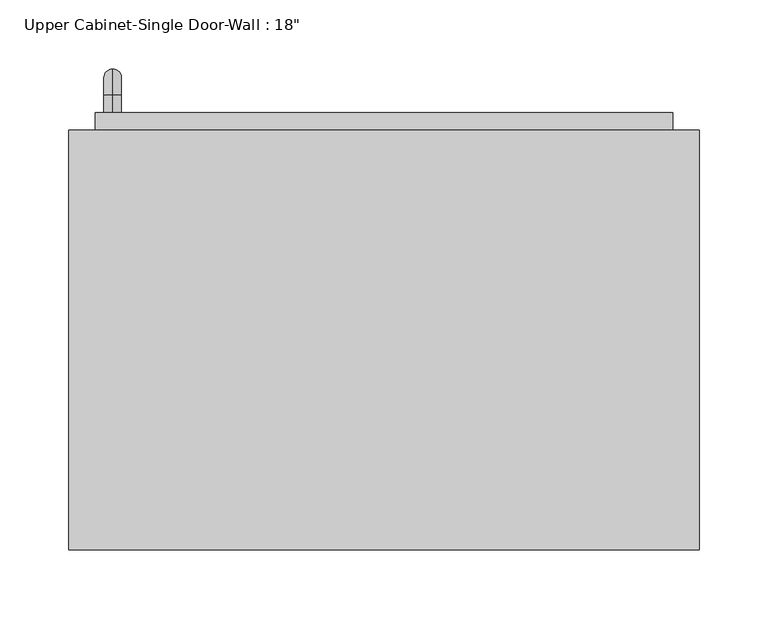
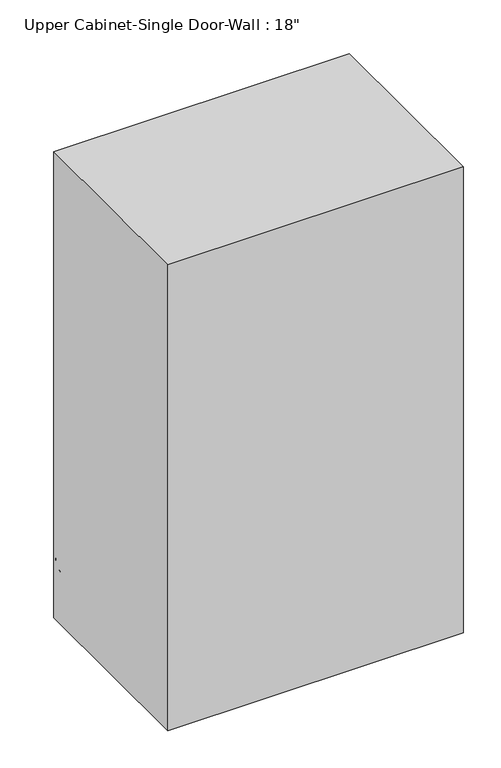
"""IFC4 building model written with IfcOpenShell, lengths in millimetres: furniture geometry."""

from ifc_helpers import new_model, si_unit, point, frame, origin, place, context, project, spatial, polyline, circle_curve, ellipse_curve, trimmed, outline, extrude, faceted_brep, source, transform, mapped, element, save
from ifc_brep_helpers import plane_surface, cylinder_surface, revolved_surface, advanced_brep


def furniture_f28e5b0a(model_context):
    return source(origin(), model_context, "Body", "SolidModel", [
        faceted_brep([(-198.8288372, 101.6, 2133.6), (-198.8288372, 101.6, 1371.6), (258.3711628, 101.6, 1371.6), (258.3711628, 101.6, 2133.6), (-198.8288372, 406.4, 2133.6), (258.3711628, 406.4, 2133.6), (258.3711628, 406.4, 1371.6), (-198.8288372, 406.4, 1371.6), (-179.7788372, 406.4, 2114.55), (-179.7788372, 406.4, 1390.65), (239.3211628, 406.4, 1390.65), (239.3211628, 406.4, 2114.55), (239.3211628, 120.65, 2114.55), (-179.7788372, 120.65, 2114.55), (239.3211628, 120.65, 1390.65), (-179.7788372, 120.65, 1390.65)], [[[0, 1, 2, 3]], [[4, 5, 6, 7], [8, 9, 10, 11]], [[1, 0, 4, 7]], [[2, 1, 7, 6]], [[3, 2, 6, 5]], [[0, 3, 5, 4]], [[8, 11, 12, 13]], [[11, 10, 14, 12]], [[10, 9, 15, 14]], [[9, 8, 13, 15]], [[13, 12, 14, 15]]]),
        advanced_brep(
        [(-167.0788372, 419.1, 1517.65), (-167.0788372, 419.1, 1530.35), (-167.0788372, 431.8, 1517.65), (-167.0788372, 431.8, 1530.35), (-167.0788372, 450.85, 1511.3), (-167.0788372, 438.15, 1511.3), (-167.0788372, 438.15, 1435.1), (-167.0788372, 450.85, 1435.1), (-167.0788372, 431.8, 1416.05), (-167.0788372, 431.8, 1428.75), (-167.0788372, 419.1, 1428.75), (-167.0788372, 419.1, 1416.05)],
        [
            (0, 1, circle_curve(frame((-167.0788372, 419.1, 1524.0), z_axis=(0.0, -1.0, 0.0), x_axis=(0.0, 0.0, 1.0)), 6.35)),
            (1, 0, circle_curve(frame((-167.0788372, 419.1, 1524.0), z_axis=(0.0, -1.0, 0.0), x_axis=(0.0, 0.0, 1.0)), 6.35)),
            (0, 2),
            (2, 3, circle_curve(frame((-167.0788372, 431.8, 1524.0), z_axis=(0.0, -1.0, 0.0), x_axis=(0.0, 0.0, 1.0)), 6.35)),
            (3, 1),
            (3, 2, circle_curve(frame((-167.0788372, 431.8, 1524.0), z_axis=(0.0, -1.0, 0.0), x_axis=(0.0, 0.0, 1.0)), 6.35)),
            (4, 3, circle_curve(frame((-167.0788372, 431.8, 1511.3), z_axis=(1.0, 0.0, 0.0), x_axis=(0.0, 0.0, 1.0)), 19.05)),
            (2, 5, circle_curve(frame((-167.0788372, 431.8, 1511.3), z_axis=(-1.0, 0.0, 0.0), x_axis=(0.0, 0.0, 1.0)), 6.35)),
            (5, 4, circle_curve(frame((-167.0788372, 444.5, 1511.3), z_axis=(0.0, 0.0, 1.0), x_axis=(0.0, 1.0, 0.0)), 6.35)),
            (4, 5, circle_curve(frame((-167.0788372, 444.5, 1511.3), z_axis=(0.0, 0.0, 1.0), x_axis=(0.0, 1.0, 0.0)), 6.35)),
            (5, 6),
            (6, 7, circle_curve(frame((-167.0788372, 444.5, 1435.1), z_axis=(0.0, 0.0, 1.0), x_axis=(0.0, 1.0, 0.0)), 6.35)),
            (7, 4),
            (7, 6, circle_curve(frame((-167.0788372, 444.5, 1435.1), z_axis=(0.0, 0.0, 1.0), x_axis=(0.0, 1.0, 0.0)), 6.35)),
            (8, 7, circle_curve(frame((-167.0788372, 431.8, 1435.1), z_axis=(1.0, 0.0, 0.0), x_axis=(0.0, 1.0, 0.0)), 19.05)),
            (6, 9, circle_curve(frame((-167.0788372, 431.8, 1435.1), z_axis=(-1.0, 0.0, 0.0), x_axis=(0.0, 1.0, 0.0)), 6.35)),
            (9, 8, circle_curve(frame((-167.0788372, 431.8, 1422.4), z_axis=(0.0, 1.0, 0.0), x_axis=(0.0, 0.0, -1.0)), 6.35)),
            (8, 9, circle_curve(frame((-167.0788372, 431.8, 1422.4), z_axis=(0.0, 1.0, 0.0), x_axis=(0.0, 0.0, -1.0)), 6.35)),
            (10, 11, circle_curve(frame((-167.0788372, 419.1, 1422.4), z_axis=(0.0, -1.0, 0.0), x_axis=(0.0, 0.0, -1.0)), 6.35)),
            (11, 10, circle_curve(frame((-167.0788372, 419.1, 1422.4), z_axis=(0.0, -1.0, 0.0), x_axis=(0.0, 0.0, -1.0)), 6.35)),
            (9, 10),
            (11, 8),
        ],
        [
            plane_surface(frame((-173.4288372, 419.1, 1524.0), z_axis=(0.0, -1.0, 0.0), x_axis=(0.0, 0.0, 1.0))),
            cylinder_surface(frame((-167.0788372, 419.1, 1524.0), z_axis=(0.0, -1.0, 0.0), x_axis=(0.0, 0.0, 1.0)), 6.35),
            revolved_surface(trimmed(ellipse_curve(frame((-167.0788372, 431.8, 1524.0), z_axis=(0.0, -1.0, 0.0), x_axis=(0.0, 0.0, 1.0)), 6.35, 6.35), [point((-167.0788372, 431.8, 1517.65))], [point((-167.0788372, 431.8, 1530.35))], True, "CARTESIAN"), (-167.0788372, 431.8, 1511.3), (-1.0, 0.0, 0.0)),
            revolved_surface(trimmed(ellipse_curve(frame((-167.0788372, 431.8, 1524.0), z_axis=(0.0, -1.0, 0.0), x_axis=(0.0, 0.0, 1.0)), 6.35, 6.35), [point((-167.0788372, 431.8, 1530.35))], [point((-167.0788372, 431.8, 1517.65))], True, "CARTESIAN"), (-167.0788372, 431.8, 1511.3), (-1.0, 0.0, 0.0)),
            cylinder_surface(frame((-167.0788372, 444.5, 1511.3), z_axis=(0.0, 0.0, 1.0), x_axis=(0.0, 1.0, 0.0)), 6.35),
            revolved_surface(trimmed(ellipse_curve(frame((-167.0788372, 444.5, 1435.1), z_axis=(0.0, 0.0, 1.0), x_axis=(0.0, 1.0, 0.0)), 6.35, 6.35), [point((-167.0788372, 438.15, 1435.1))], [point((-167.0788372, 450.85, 1435.1))], True, "CARTESIAN"), (-167.0788372, 431.8, 1435.1), (-1.0, 0.0, 0.0)),
            revolved_surface(trimmed(ellipse_curve(frame((-167.0788372, 444.5, 1435.1), z_axis=(0.0, 0.0, 1.0), x_axis=(0.0, 1.0, 0.0)), 6.35, 6.35), [point((-167.0788372, 450.85, 1435.1))], [point((-167.0788372, 438.15, 1435.1))], True, "CARTESIAN"), (-167.0788372, 431.8, 1435.1), (-1.0, 0.0, 0.0)),
            plane_surface(frame((-173.4288372, 419.1, 1422.4), z_axis=(0.0, -1.0, 0.0), x_axis=(0.0, 0.0, -1.0))),
            cylinder_surface(frame((-167.0788372, 431.8, 1422.4), z_axis=(0.0, 1.0, 0.0), x_axis=(0.0, 0.0, -1.0)), 6.35),
        ],
        [
            (0, [[1, 2]]),
            (1, [[-1, 3, 4, 5]]),
            (1, [[-2, -5, 6, -3]]),
            (2, [[7, -4, 8, 9]]),
            (3, [[-8, -6, -7, 10]]),
            (4, [[-9, 11, 12, 13]]),
            (4, [[-10, -13, 14, -11]]),
            (5, [[15, -12, 16, 17]]),
            (6, [[-16, -14, -15, 18]]),
            (7, [[19, 20]]),
            (8, [[-17, 21, -20, 22]]),
            (8, [[-18, -22, -19, -21]]),
        ],
    ),
        extrude(outline(polyline([(-179.7788372, 419.1), (239.3211628, 419.1), (239.3211628, 387.35), (-179.7788372, 387.35), (-179.7788372, 419.1)])), frame((0.0, 0.0, 1390.65), z_axis=(0.0, 0.0, 1.0), x_axis=(1.0, 0.0, 0.0)), (0.0, 0.0, 1.0), 723.9),
    ])


if __name__ == "__main__":
    model = new_model("IFC4")
    model_context = context("Model", 3, world=origin())
    ifc_project = project(units=[si_unit("LENGTHUNIT", "METRE", prefix="MILLI")], contexts=[model_context])
    site = spatial("IfcSite", under=ifc_project)
    building = spatial("IfcBuilding", under=site)
    placement = place(None, origin())
    furniture_shape = furniture_f28e5b0a(model_context)
    element("IfcFurniture", 1, ObjectType="Upper Cabinet-Single Door-Wall : 18\"", at=placement, inside=building, context=model_context, shape_type="MappedRepresentation", body=[
        mapped(furniture_shape, transform((0.0, 0.0, 0.0), x_axis=(1.0, 0.0, 0.0), y_axis=(0.0, 1.0, 0.0), z_axis=(0.0, 0.0, 1.0))),
    ])
    save(model, "model.ifc")
